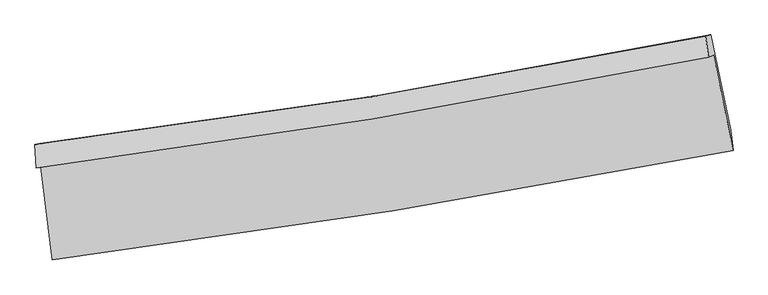
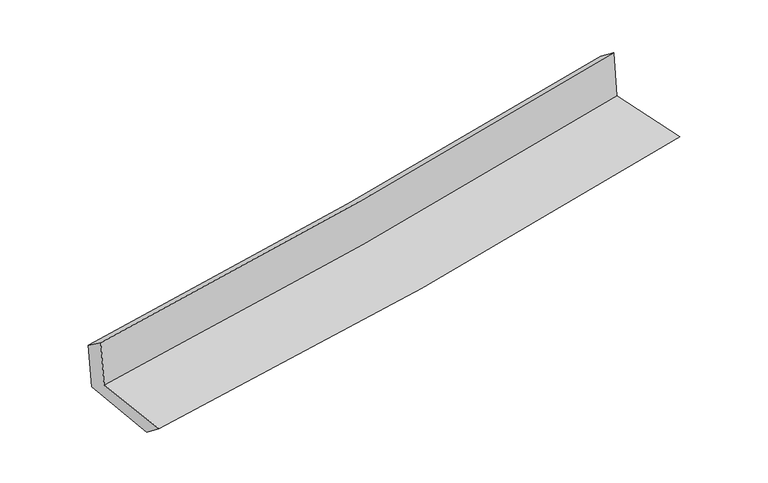
"""IFC4 building model written with IfcOpenShell, lengths in millimetres: proxy geometry."""

import ifcopenshell
import ifcopenshell.guid

model = None  # the IFC model being written
_history = None  # IfcOwnerHistory: only IFC2X3 demands one
_inside = {}  # id of a spatial element -> (the spatial element, [elements in it])
_under = {}  # id of a project, library or spatial element -> (it, [spatial elements below it])
_declared = {}  # id of a project -> (the project, [libraries it declares])
_typed = {}  # id of a type object -> (the type object, [elements of that type])
_made_of = {}  # id of a material, layer set ... -> (it, [elements and type objects made of it])


def new_model(schema):
    """Start an empty IFC model of exactly this schema.

    Asked for "IFC4X3", IfcOpenShell would pick the latest addendum, in which some entities
    have other attributes; the version numbers below select the first issue.
    IFC2X3 requires an IfcOwnerHistory on every rooted entity: one is made here for all.
    """
    global model, _history
    if schema == "IFC4X3":
        model = ifcopenshell.file(schema_version=(4, 3, 0, 0))
    else:
        model = ifcopenshell.file(schema=schema)
    _inside.clear()
    _under.clear()
    _declared.clear()
    _typed.clear()
    _made_of.clear()
    _history = None
    if model.schema == "IFC2X3":
        org = make("IfcOrganization", Name="unknown")
        user = make(
            "IfcPersonAndOrganization",
            ThePerson=make("IfcPerson", FamilyName="unknown"),
            TheOrganization=org,
        )
        app = make(
            "IfcApplication",
            ApplicationDeveloper=org,
            Version="unknown",
            ApplicationFullName="unknown",
            ApplicationIdentifier="unknown",
        )
        _history = make(
            "IfcOwnerHistory",
            OwningUser=user,
            OwningApplication=app,
            ChangeAction="ADDED",
            CreationDate=0,
        )
    return model


def make(cls, **values):
    """One entity of the class cls with the attributes given. An attribute that is None is left unset."""
    return model.create_entity(
        cls, **{name: value for name, value in values.items() if value is not None}
    )


def rooted(cls, **values):
    """An entity with a GlobalId (a new one), such as an element, a storey or a relation."""
    return make(cls, GlobalId=ifcopenshell.guid.new(), OwnerHistory=_history, **values)


def si_unit(unit_type, name, prefix=None):
    """IfcSIUnit, for example si_unit("LENGTHUNIT", "METRE", prefix="MILLI")."""
    return make("IfcSIUnit", UnitType=unit_type, Prefix=prefix, Name=name)


def assignment(units):
    """IfcUnitAssignment: the units of a project."""
    return None if units is None else make("IfcUnitAssignment", Units=units)


def point(xyz):
    """IfcCartesianPoint."""
    return None if xyz is None else make("IfcCartesianPoint", Coordinates=xyz)


def direction(xyz):
    """IfcDirection."""
    return None if xyz is None else make("IfcDirection", DirectionRatios=xyz)


def frame(location, z_axis=None, x_axis=None):
    """IfcAxis2Placement3D, a coordinate frame: its origin and axes. An axis left out is left unset."""
    return make(
        "IfcAxis2Placement3D",
        Location=point(location),
        Axis=direction(z_axis),
        RefDirection=direction(x_axis),
    )


def origin():
    """The frame at (0, 0, 0) with its axes left unset."""
    return frame((0.0, 0.0, 0.0))


def place(relative_to, where):
    """IfcLocalPlacement: puts the frame where relative to a parent placement (None: the world)."""
    return make(
        "IfcLocalPlacement", PlacementRelTo=relative_to, RelativePlacement=where
    )


def context(
    kind, dimensions, precision=None, world=None, true_north=None, identifier=None
):
    """IfcGeometricRepresentationContext, for example the 3D "Model" context."""
    return make(
        "IfcGeometricRepresentationContext",
        ContextIdentifier=identifier,
        ContextType=kind,
        CoordinateSpaceDimension=dimensions,
        Precision=precision,
        WorldCoordinateSystem=world,
        TrueNorth=true_north,
    )


def project(units=None, contexts=None):
    """IfcProject with its units and contexts."""
    return rooted(
        "IfcProject",
        Name="project",
        RepresentationContexts=contexts,
        UnitsInContext=assignment(units),
    )


def spatial(cls, under=None, at=None, **own):
    """A site, building, storey or space (cls), placed at a placement, below another one or the project."""
    s = rooted(cls, ObjectPlacement=at, **own)
    if under is not None:
        _under.setdefault(under.id(), (under, []))[1].append(s)
    return s


def shape(context_of_items, identifier, shape_type, items):
    """IfcShapeRepresentation: the items that make up one representation, for example the "Body"."""
    return make(
        "IfcShapeRepresentation",
        ContextOfItems=context_of_items,
        RepresentationIdentifier=identifier,
        RepresentationType=shape_type,
        Items=items,
    )


def source(mapping_origin, context_of_items, identifier, shape_type, items):
    """IfcRepresentationMap: a shape defined once, which mapped items show again and again."""
    return make(
        "IfcRepresentationMap",
        MappingOrigin=mapping_origin,
        MappedRepresentation=shape(context_of_items, identifier, shape_type, items),
    )


def transform(
    local_origin,
    x_axis=None,
    y_axis=None,
    z_axis=None,
    scale=None,
    scale2=None,
    scale3=None,
    uniform=True,
):
    """IfcCartesianTransformationOperator3D, or its non-uniform kind. x_axis, y_axis, z_axis: its Axis1, 2, 3."""
    if uniform:
        return make(
            "IfcCartesianTransformationOperator3D",
            Axis1=direction(x_axis),
            Axis2=direction(y_axis),
            LocalOrigin=point(local_origin),
            Scale=scale,
            Axis3=direction(z_axis),
        )
    return make(
        "IfcCartesianTransformationOperator3DnonUniform",
        Axis1=direction(x_axis),
        Axis2=direction(y_axis),
        LocalOrigin=point(local_origin),
        Scale=scale,
        Axis3=direction(z_axis),
        Scale2=scale2,
        Scale3=scale3,
    )


def mapped(mapping_source, mapping_target):
    """IfcMappedItem: shows the shape of a source again, moved by a transform."""
    return make(
        "IfcMappedItem", MappingSource=mapping_source, MappingTarget=mapping_target
    )


def made_of(thing, what):
    """Note that an element or type object is made of a material, layer set ...; save() writes the relation."""
    if what is not None:
        _made_of.setdefault(what.id(), (what, []))[1].append(thing)
    return thing


def element(
    cls,
    number,
    at=None,
    inside=None,
    cuts=None,
    type_object=None,
    material=None,
    context=None,
    identifier="Body",
    shape_type=None,
    held_by="IfcProductDefinitionShape",
    body=None,
    shapes=None,
    **own,
):
    """One element of the class cls, such as IfcWall. Its Tag is "e" and its number.

    at: its placement. inside: the storey or other place that contains it. cuts: it is an
    opening in that element (IfcRelVoidsElement). A single representation is given by context,
    identifier, shape_type and body (its items); several are given by shapes. held_by: the class
    of the entity that holds the representations. save() writes the other relations.
    """
    e = rooted(cls, Tag="e%d" % number, ObjectPlacement=at, **own)
    if body is not None:
        shapes = [shape(context, identifier, shape_type, body)]
    if shapes is not None:
        e.Representation = make(held_by, Representations=shapes)
    if inside is not None:
        _inside.setdefault(inside.id(), (inside, []))[1].append(e)
    if cuts is not None:
        rooted(
            "IfcRelVoidsElement", RelatingBuildingElement=cuts, RelatedOpeningElement=e
        )
    if type_object is not None:
        _typed.setdefault(type_object.id(), (type_object, []))[1].append(e)
    return made_of(e, material)


def aggregate(whole, parts):
    """IfcRelAggregates: a whole, such as a stair, and the parts it consists of."""
    return rooted("IfcRelAggregates", RelatingObject=whole, RelatedObjects=parts)


def save(model, path):
    """Write the relations noted so far, then the file.

    IfcRelAggregates (storeys below a building ...), IfcRelContainedInSpatialStructure (elements
    in a storey), IfcRelDefinesByType, IfcRelAssociatesMaterial and IfcRelDeclares: one each for
    every whole, place, type object, material and project.
    """
    for whole, parts in _under.values():
        aggregate(whole, parts)
    for where, things in _inside.values():
        rooted(
            "IfcRelContainedInSpatialStructure",
            RelatedElements=things,
            RelatingStructure=where,
        )
    for kind, things in _typed.values():
        rooted("IfcRelDefinesByType", RelatedObjects=things, RelatingType=kind)
    for what, things in _made_of.values():
        rooted("IfcRelAssociatesMaterial", RelatedObjects=things, RelatingMaterial=what)
    for by, libraries in _declared.values():
        rooted("IfcRelDeclares", RelatingContext=by, RelatedDefinitions=libraries)
    model.write(path)


def plane_surface(at):
    """IfcPlane: the flat surface through the origin of the frame at, square to its z axis."""
    return make("IfcPlane", Position=at)


def spline_curve(degree, points, multiplicities, knots, weights=None):
    """IfcBSplineCurveWithKnots; with weights, IfcRationalBSplineCurveWithKnots."""
    own = dict(
        Degree=degree,
        ControlPointsList=[point(p) for p in points],
        CurveForm="UNSPECIFIED",
        ClosedCurve=False,
        SelfIntersect=False,
        KnotMultiplicities=multiplicities,
        Knots=knots,
        KnotSpec="UNSPECIFIED",
    )
    if weights is None:
        return make("IfcBSplineCurveWithKnots", **own)
    return make("IfcRationalBSplineCurveWithKnots", WeightsData=weights, **own)


def spline_surface(u_degree, v_degree, points, u_multiplicities, v_multiplicities, u_knots, v_knots, weights=None):
    """IfcBSplineSurfaceWithKnots; with weights, IfcRationalBSplineSurfaceWithKnots. points: one row for each step in u."""
    own = dict(
        UDegree=u_degree,
        VDegree=v_degree,
        ControlPointsList=[[point(p) for p in row] for row in points],
        SurfaceForm="UNSPECIFIED",
        UClosed=False,
        VClosed=False,
        SelfIntersect=False,
        UMultiplicities=u_multiplicities,
        VMultiplicities=v_multiplicities,
        UKnots=u_knots,
        VKnots=v_knots,
        KnotSpec="UNSPECIFIED",
    )
    if weights is None:
        return make("IfcBSplineSurfaceWithKnots", **own)
    return make("IfcRationalBSplineSurfaceWithKnots", WeightsData=weights, **own)


def advanced_brep(points, edges, surfaces, faces):
    """IfcAdvancedBrep: a solid bounded by faces that lie on surfaces and meet in shared edges.

    An edge is (start, end): straight between two places in points (the first is 0);
    or (start, end, curve); or (start, end, curve, False) where it runs against its curve.
    A face is (place in surfaces, loops), or (place, loops, False) where it looks against
    its surface's normal. A loop lists edges by number (the first is 1), with a minus sign
    where the edge is run from its end to its start. The first loop is the outer one.
    """
    corners = [point(p) for p in points]
    vertices = [make("IfcVertexPoint", VertexGeometry=c) for c in corners]
    made = []
    for start, end, *more in edges:
        made.append(
            make(
                "IfcEdgeCurve",
                EdgeStart=vertices[start],
                EdgeEnd=vertices[end],
                EdgeGeometry=more[0] if more else make("IfcPolyline", Points=[corners[start], corners[end]]),
                SameSense=more[1] if len(more) > 1 else True,
            )
        )
    hull = []
    for where, loops, *sense in faces:
        bounds = []
        for j, loop in enumerate(loops):
            ring = [make("IfcOrientedEdge", EdgeElement=made[abs(k) - 1], Orientation=k > 0) for k in loop]
            bounds.append(
                make(
                    "IfcFaceOuterBound" if j == 0 else "IfcFaceBound",
                    Bound=make("IfcEdgeLoop", EdgeList=ring),
                    Orientation=True,
                )
            )
        hull.append(make("IfcAdvancedFace", Bounds=bounds, FaceSurface=surfaces[where], SameSense=sense[0] if sense else True))
    return make("IfcAdvancedBrep", Outer=make("IfcClosedShell", CfsFaces=hull))


def generic_models_5a342596(model_context):
    return source(origin(), model_context, "Body", "AdvancedBrep", [
        advanced_brep(
        [(-2394.5755625, -1878.3301164, 1684.0114686), (-2316.796659, -2538.7235167, 1669.5279333), (2484.4245474, -1766.271512, 2104.8833558), (2346.5614357, -1095.1213671, 2106.2445502), (-2428.9417923, -1891.0279078, 2078.4296711), (2311.4436374, -1108.0968514, 2509.2884383), (-2437.3543514, -1724.5422453, 1958.8618835), (2291.5954992, -958.7765814, 2394.1185907), (-2403.4150987, -1716.4660364, 1575.0324225), (2325.8817286, -950.6463775, 2010.5537355), (-2324.4388565, -2373.2688638, 1542.795336), (2466.482322, -1622.9461792, 1982.5060714)],
        [
            (0, 1),
            (1, 2, spline_curve(3, [(-2316.796659, -2538.7235167, 1669.5279333), (-1514.941217943, -2437.341319156, 1727.682941208), (-715.662453869, -2322.621721702, 1792.849265702), (884.790409987, -2065.374765275, 1937.843128313), (1685.918715018, -1922.610360852, 2017.79527776), (2484.4245474, -1766.271512, 2104.8833558)], [4, 2, 4], [0.0, 7.927755503948966, 15.925650521254184])),
            (2, 3),
            (3, 0, spline_curve(3, [(2346.5614357, -1095.1213671, 2106.2445502), (1558.416395906, -1256.336411776, 2032.023655219), (767.496889792, -1402.432484837, 1959.579944296), (-812.930558909, -1663.238051761, 1818.866617845), (-1602.390052485, -1778.211561595, 1750.565968346), (-2394.5755625, -1878.3301164, 1684.0114686)], [4, 2, 4], [0.0, 7.9978950173052175, 15.925650521254184])),
            (4, 0),
            (3, 5),
            (5, 4, spline_curve(3, [(2311.4436374, -1108.0968514, 2509.2884383), (1523.171671169, -1269.358793438, 2436.524264114), (732.252165371, -1415.454866399, 2364.080553137), (-847.922543998, -1676.167050076, 2220.466560276), (-1637.131514613, -1791.047995866, 2149.290682226), (-2428.9417923, -1891.0279078, 2078.4296711)], [4, 2, 4], [0.0, 7.949721839148826, 15.829726631511093])),
            (6, 4),
            (5, 7),
            (7, 6, spline_curve(3, [(2291.5954992, -958.7765814, 2394.1185907), (1505.204620951, -1118.843270696, 2322.720752402), (716.182894212, -1262.901272475, 2250.587470022), (-860.179664059, -1517.876940477, 2105.489058445), (-1647.474554086, -1629.074160255, 2032.536771428), (-2437.3543514, -1724.5422453, 1958.8618835)], [4, 2, 4], [0.0, 7.9385971499861405, 15.807574813891685])),
            (8, 6),
            (7, 9),
            (9, 8, spline_curve(3, [(2325.8817286, -950.6463775, 2010.5537355), (1540.30721033, -1110.517027804, 1929.24455162), (751.662695943, -1254.481981056, 1852.155177389), (-824.823190032, -1509.477445908, 1707.055095037), (-1612.61095126, -1620.785712565, 1638.970698577), (-2403.4150987, -1716.4660364, 1575.0324225)], [4, 2, 4], [0.0, 7.927823201845027, 15.78612140240551])),
            (10, 8),
            (9, 11),
            (11, 10, spline_curve(3, [(2466.482322, -1622.9461792, 1982.5060714), (1670.11970716, -1782.647810863, 1900.324881327), (870.924204621, -1925.225811905, 1822.449223682), (-726.098991195, -2175.03435084, 1675.954164481), (-1523.877214603, -2282.563911107, 1607.259576863), (-2324.4388565, -2373.2688638, 1542.795336)], [4, 2, 4], [0.0, 7.9765733180602, 15.883194108665531])),
            (1, 10),
            (11, 2),
        ],
        [
            spline_surface(3, 3, [[(-2394.5755625, -1878.3301164, 1684.0114686), (-1602.390052369, -1778.211561714, 1750.565968353), (-812.930558932, -1663.23805168, 1818.866617923), (767.496889815, -1402.432484919, 1959.579944218), (1558.416395781, -1256.336411828, 2032.023655204), (2346.5614357, -1095.1213671, 2106.2445502)], [(-2368.649261304, -2098.461249841, 1679.183623492), (-1573.240440838, -1997.921480832, 1742.93829263), (-780.507857272, -1883.032608413, 1810.194167212), (806.594729869, -1623.413245016, 1952.33433888), (1600.917168833, -1478.427728154, 2027.280862736), (2392.515806279, -1318.838082071, 2105.79081874)], [(-2342.722960196, -2318.592383259, 1674.355778408), (-1544.090829395, -2217.631399928, 1735.31061693), (-748.085155565, -2102.82716509, 1801.521716511), (845.69256997, -1844.394005057, 1945.088733552), (1643.417941848, -1700.519044466, 2022.538070247), (2438.470176821, -1542.554797029, 2105.33708726)], [(-2316.796659, -2538.7235167, 1669.5279333), (-1514.941217864, -2437.341319046, 1727.682941207), (-715.662453905, -2322.621721823, 1792.8492658), (884.790410024, -2065.374765154, 1937.843128214), (1685.918714901, -1922.610360792, 2017.79527778), (2484.4245474, -1766.271512, 2104.8833558)]], [4, 4], [4, 2, 4], [0.0, 2.199030826871472], [0.0, 7.927755503948966, 15.925650521254184]),
            spline_surface(3, 3, [[(-2428.9417923, -1891.0279078, 2078.4296711), (-1637.13151474, -1791.047995757, 2149.290682146), (-847.922544042, -1676.167049985, 2220.466560233), (732.252165414, -1415.454866491, 2364.080553181), (1523.17167128, -1269.3587934, 2436.524264167), (2311.4436374, -1108.0968514, 2509.2884383)], [(-2417.486382388, -1886.795310668, 1946.956936948), (-1625.551027304, -1786.76918441, 2016.38244423), (-836.258548996, -1671.857383866, 2086.599912803), (744.000406891, -1411.114072616, 2229.247016866), (1534.919912757, -1265.017999525, 2301.690727853), (2323.149570143, -1103.771689949, 2374.940475607)], [(-2406.030972412, -1882.562713532, 1815.484202752), (-1613.970539805, -1782.49037306, 1883.474206269), (-824.594553978, -1667.5477178, 1952.733265353), (755.748648339, -1406.773278794, 2094.413480532), (1546.668154304, -1260.677205703, 2166.857191518), (2334.855502957, -1099.446528551, 2240.592512893)], [(-2394.5755625, -1878.3301164, 1684.0114686), (-1602.390052369, -1778.211561714, 1750.565968353), (-812.930558932, -1663.23805168, 1818.866617923), (767.496889815, -1402.432484919, 1959.579944218), (1558.416395781, -1256.336411828, 2032.023655204), (2346.5614357, -1095.1213671, 2106.2445502)]], [4, 4], [4, 2, 4], [0.0, 1.328077792286094], [0.0, 7.880004792362267, 15.829726631511093]),
            spline_surface(3, 3, [[(-2437.3543514, -1724.5422453, 1958.8618835), (-1647.474554143, -1629.074160206, 2032.536771478), (-860.179664064, -1517.87694059, 2105.489058336), (716.182894217, -1262.901272361, 2250.587470133), (1505.20462101, -1118.843270667, 2322.720752383), (2291.5954992, -958.7765814, 2394.1185907)], [(-2434.550165033, -1780.03746612, 1998.717812686), (-1644.026874341, -1683.06543871, 2071.454741687), (-856.093957399, -1570.640310386, 2143.81489229), (721.53931794, -1313.752470402, 2288.418497804), (1511.193637771, -1169.015111591, 2360.655256314), (2298.211545271, -1008.550004746, 2432.508539904)], [(-2431.745978667, -1835.53268698, 2038.573741914), (-1640.579194542, -1737.056717253, 2110.372711937), (-852.008250707, -1623.403680189, 2182.140726279), (726.895741691, -1364.60366845, 2326.24952551), (1517.182654519, -1219.186952476, 2398.589760235), (2304.827591329, -1058.323428054, 2470.898489096)], [(-2428.9417923, -1891.0279078, 2078.4296711), (-1637.13151474, -1791.047995757, 2149.290682146), (-847.922544042, -1676.167049985, 2220.466560233), (732.252165414, -1415.454866491, 2364.080553181), (1523.17167128, -1269.3587934, 2436.524264167), (2311.4436374, -1108.0968514, 2509.2884383)]], [4, 4], [4, 2, 4], [0.0, 0.6344622579027231], [0.0, 7.868977663905545, 15.807574813891685]),
            spline_surface(3, 3, [[(-2403.4150987, -1716.4660364, 1575.0324225), (-1612.610951192, -1620.785712434, 1638.970698471), (-824.823189971, -1509.477446005, 1707.055095101), (751.662695882, -1254.481980957, 1852.155177325), (1540.307210396, -1110.517027753, 1929.244551685), (2325.8817286, -950.6463775, 2010.5537355)], [(-2414.728182911, -1719.158106037, 1702.97557618), (-1624.232152154, -1623.548528361, 1770.159389486), (-836.608681342, -1512.277277547, 1839.866416194), (739.83609532, -1257.288411439, 1984.96594161), (1528.606347271, -1113.292442067, 2060.403285238), (2314.452985471, -953.356445476, 2138.40868722)], [(-2426.041267189, -1721.850175663, 1830.91872982), (-1635.853353181, -1626.311344279, 1901.348080463), (-848.394172693, -1515.077109048, 1972.677737242), (728.009494779, -1260.094841879, 2117.776705848), (1516.905484135, -1116.067856354, 2191.56201883), (2303.024242329, -956.066513424, 2266.26363898)], [(-2437.3543514, -1724.5422453, 1958.8618835), (-1647.474554143, -1629.074160206, 2032.536771478), (-860.179664064, -1517.87694059, 2105.489058336), (716.182894217, -1262.901272361, 2250.587470133), (1505.20462101, -1118.843270667, 2322.720752383), (2291.5954992, -958.7765814, 2394.1185907)]], [4, 4], [4, 2, 4], [0.0, 1.3126390904237542], [0.0, 7.8582982005604824, 15.78612140240551]),
            spline_surface(3, 3, [[(-2324.4388565, -2373.2688638, 1542.795336), (-1523.877214601, -2282.563911034, 1607.259576904), (-726.098991147, -2175.034350716, 1675.954164378), (870.924204572, -1925.22581203, 1822.449223786), (1670.119707275, -1782.647810819, 1900.32488145), (2466.482322, -1622.9461792, 1982.5060714)], [(-2350.764270578, -2154.334588004, 1553.541031503), (-1553.455126809, -2061.971178172, 1617.829950763), (-759.007057399, -1953.182049139, 1686.321141293), (831.170368365, -1701.644534999, 1832.351208307), (1626.848874982, -1558.60421647, 1909.964771538), (2419.615457533, -1398.846245306, 1991.855292776)], [(-2377.089684622, -1935.400312196, 1564.286726997), (-1583.033038984, -1841.378445296, 1628.400324613), (-791.915123719, -1731.329747583, 1696.688118185), (791.41653209, -1478.063257988, 1842.253192804), (1583.578042689, -1334.560622102, 1919.604661597), (2372.748593067, -1174.746311394, 2001.204514124)], [(-2403.4150987, -1716.4660364, 1575.0324225), (-1612.610951192, -1620.785712434, 1638.970698471), (-824.823189971, -1509.477446005, 1707.055095101), (751.662695882, -1254.481980957, 1852.155177325), (1540.307210396, -1110.517027753, 1929.244551685), (2325.8817286, -950.6463775, 2010.5537355)]], [4, 4], [4, 2, 4], [0.0, 2.2234281574138777], [0.0, 7.906620790605332, 15.883194108665531]),
            spline_surface(3, 3, [[(-2316.796659, -2538.7235167, 1669.5279333), (-1514.941217864, -2437.341319046, 1727.682941207), (-715.662453905, -2322.621721823, 1792.8492658), (884.790410024, -2065.374765154, 1937.843128214), (1685.918714901, -1922.610360792, 2017.79527778), (2484.4245474, -1766.271512, 2104.8833558)], [(-2319.344058186, -2483.57196573, 1627.283734192), (-1517.919883463, -2385.748849706, 1687.541819764), (-719.141299653, -2273.425931448, 1753.884231978), (880.16834154, -2018.65844744, 1899.37849339), (1680.652379028, -1875.956177453, 1978.638478989), (2478.443805603, -1718.496401052, 2064.090927653)], [(-2321.891457314, -2428.42041477, 1585.039535108), (-1520.898549003, -2334.156380374, 1647.400698347), (-722.620145399, -2224.230141091, 1714.9191982), (875.546273057, -1971.942129744, 1860.91385861), (1675.386043147, -1829.301994158, 1939.48168024), (2472.463063797, -1670.721290148, 2023.298499547)], [(-2324.4388565, -2373.2688638, 1542.795336), (-1523.877214601, -2282.563911034, 1607.259576904), (-726.098991147, -2175.034350716, 1675.954164378), (870.924204572, -1925.22581203, 1822.449223786), (1670.119707275, -1782.647810819, 1900.32488145), (2466.482322, -1622.9461792, 1982.5060714)]], [4, 4], [4, 2, 4], [0.0, 0.6078392597282096], [0.0, 7.965043712412061, 16.0005568394739]),
            plane_surface(frame((2371.0648617, -1250.3098114, 2184.5991236), z_axis=(0.9754805208892852, 0.20019113985749798, 0.09143993049059243), x_axis=(-0.0890135211191995, -0.021107543519815124, 0.9958067406201471))),
            plane_surface(frame((-2384.2537201, -2020.3931144, 1751.4431192), z_axis=(-0.9893422016015714, -0.11454993018068141, -0.0898906092189659), x_axis=(-0.11694042733471101, 0.992900168058939, 0.021775966644580865))),
        ],
        [
            (0, [[1, 2, 3, 4]]),
            (1, [[5, -4, 6, 7]]),
            (2, [[8, -7, 9, 10]]),
            (3, [[11, -10, 12, 13]]),
            (4, [[14, -13, 15, 16]]),
            (5, [[17, -16, 18, -2]]),
            (6, [[-12, -9, -6, -3, -18, -15]]),
            (7, [[-1, -5, -8, -11, -14, -17]]),
        ],
    ),
    ])


if __name__ == "__main__":
    model = new_model("IFC4")
    model_context = context("Model", 3, world=origin())
    ifc_project = project(units=[si_unit("LENGTHUNIT", "METRE", prefix="MILLI")], contexts=[model_context])
    site = spatial("IfcSite", under=ifc_project)
    building = spatial("IfcBuilding", under=site)
    placement = place(None, origin())
    generic_models_shape = generic_models_5a342596(model_context)
    element("IfcBuildingElementProxy", 1, Name="Generic Models", at=placement, inside=building, context=model_context, shape_type="MappedRepresentation", body=[
        mapped(generic_models_shape, transform((0.0, 0.0, 0.0), x_axis=(1.0, 0.0, 0.0), y_axis=(0.0, 1.0, 0.0), z_axis=(0.0, 0.0, 1.0))),
    ])
    save(model, "model.ifc")
